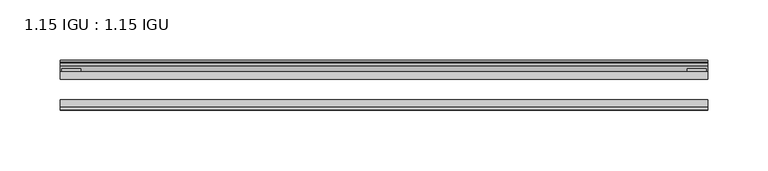
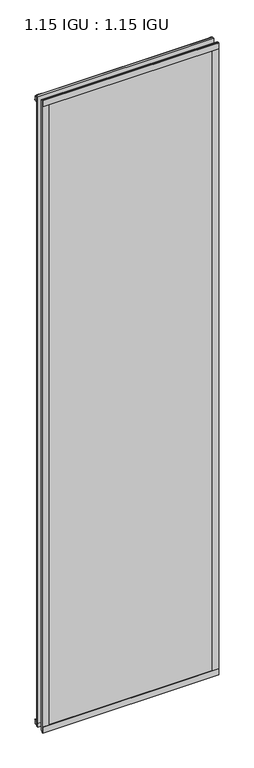
"""IFC4 building model written with IfcOpenShell, lengths in millimetres: plate geometry, 1.15 IGU : 1.15 IGU."""

from ifc_helpers import new_model, si_unit, point, frame, frame_2d, origin, place, context, project, spatial, polyline, circle_curve, trimmed, segment, composite_curve, outline, extrude, source, transform, mapped, element, save


def plate_1_15_igu_1_15_igu_ae07d3ea(model_context):
    return source(origin(), model_context, "Body", "SweptSolid", [
        extrude(outline(polyline([(268.351, 0.0), (268.351, -6.2992), (-268.351, -6.2992), (-268.351, 0.0), (268.351, 0.0)])), frame((0.0, 0.0, -15.875), z_axis=(0.0, 0.0, 1.0), x_axis=(1.0, 0.0, 0.0)), (0.0, 0.0, 1.0), 2033.5830337),
        extrude(outline(polyline([(-268.351, -23.1648), (268.351, -23.1648), (268.351, -29.464), (-268.351, -29.464), (-268.351, -23.1648)])), frame((0.0, 0.0, -15.875), z_axis=(0.0, 0.0, 1.0), x_axis=(1.0, 0.0, 0.0)), (0.0, 0.0, 1.0), 2033.5830337),
        extrude(outline(polyline([(-268.351, -31.75), (-268.351, -29.464), (268.351, -29.464), (268.351, -31.75), (-268.351, -31.75)])), frame((0.0, 0.0, -19.05), z_axis=(0.0, 0.0, 1.0), x_axis=(1.0, 0.0, 0.0)), (0.0, 0.0, 1.0), 19.05),
        extrude(outline(composite_curve([segment(trimmed(circle_curve(frame_2d((13.6593785, 32.4202472)), 31.3046461), [point((0.0, 4.2528503))], [point((9.3980339, 1.406995))], True, "CARTESIAN"), True, "CONTINUOUS"), segment(polyline([(9.3980339, 1.406995), (9.3980339, 0.0254), (6.35, 0.0254), (6.35, -5.1625788), (7.7309478, -5.3970663), (6.35, -8.0073788), (6.35, -11.8471127)]), True, "CONTINUOUS"), segment(trimmed(circle_curve(frame_2d((5.334, -11.8471127)), 1.016), [point((6.35, -11.8471127))], [point((4.6284878, -12.5782136))], False, "CARTESIAN"), True, "CONTINUOUS"), segment(trimmed(circle_curve(frame_2d((-23.3689302, -41.5910901)), 40.3187601), [point((4.6284878, -12.5782136))], [point((0.0, -8.735413))], True, "CARTESIAN"), True, "CONTINUOUS"), segment(polyline([(0.0, -8.735413), (0.0, 4.2528503)]), True, "CONTINUOUS")], self_intersect=False)), frame((-268.351, 0.0, 0.0), z_axis=(1.0, 0.0, 0.0), x_axis=(0.0, 1.0, 0.0)), (0.0, 0.0, 1.0), 536.702),
        extrude(outline(composite_curve([segment(trimmed(circle_curve(frame_2d((-23.3689302, 2041.8747237)), 40.3187601), [point((0.0, 2009.0190467))], [point((4.9746073, 2013.1998864))], True, "CARTESIAN"), True, "CONTINUOUS"), segment(trimmed(circle_curve(frame_2d((5.8674, 2012.2966582)), 1.27), [point((4.9746073, 2013.1998864))], [point((7.1374, 2012.2966582))], False, "CARTESIAN"), True, "CONTINUOUS"), segment(polyline([(7.1374, 2012.2966582), (7.1374, 2007.8958505), (7.7309478, 2005.6806999), (6.35, 2005.4462125), (6.35, 2000.2582337), (9.3980339, 2000.2582337), (9.3980339, 1998.8766387)]), True, "CONTINUOUS"), segment(trimmed(circle_curve(frame_2d((13.6593785, 1967.8633864)), 31.3046461), [point((9.3980339, 1998.8766387))], [point((0.0, 1996.0307834))], True, "CARTESIAN"), True, "CONTINUOUS"), segment(polyline([(0.0, 1996.0307834), (0.0, 2009.0190467)]), True, "CONTINUOUS")], self_intersect=False)), frame((-268.351, 0.0, 0.0), z_axis=(1.0, 0.0, 0.0), x_axis=(0.0, 1.0, 0.0)), (0.0, 0.0, 1.0), 536.702),
        extrude(outline(polyline([(-268.351, -31.75), (-268.351, -29.464), (268.351, -29.464), (268.351, -31.75), (-268.351, -31.75)])), frame((0.0, 0.0, 2000.2582337), z_axis=(0.0, 0.0, 1.0), x_axis=(1.0, 0.0, 0.0)), (0.0, 0.0, 1.0), 19.05),
        extrude(outline(polyline([(249.301, -29.464), (268.351, -29.464), (268.351, -31.75), (249.301, -31.75), (249.301, -29.464)])), frame((0.0, 0.0, -15.875), z_axis=(0.0, 0.0, 1.0), x_axis=(1.0, 0.0, 0.0)), (0.0, 0.0, 1.0), 2033.5830337),
        extrude(outline(polyline([(267.1445, 2.2860088), (267.1445, 0.0021347), (251.2695, 0.0021347), (251.2695, 2.2860088), (267.1445, 2.2860088)])), frame((0.0, 0.0, -15.875), z_axis=(0.0, 0.0, 1.0), x_axis=(1.0, 0.0, 0.0)), (0.0, 0.0, 1.0), 2033.5830337),
        extrude(outline(polyline([(-268.351, -31.75), (-268.351, -29.464), (-249.301, -29.464), (-249.301, -31.75), (-268.351, -31.75)])), frame((0.0, 0.0, -15.875), z_axis=(0.0, 0.0, 1.0), x_axis=(1.0, 0.0, 0.0)), (0.0, 0.0, 1.0), 2033.5830337),
        extrude(outline(polyline([(-267.1445, 0.0), (-267.1445, 2.286), (-251.2695, 2.286), (-251.2695, 0.0), (-267.1445, 0.0)])), frame((0.0, 0.0, -15.875), z_axis=(0.0, 0.0, 1.0), x_axis=(1.0, 0.0, 0.0)), (0.0, 0.0, 1.0), 2033.5830337),
    ])


if __name__ == "__main__":
    model = new_model("IFC4")
    model_context = context("Model", 3, world=origin())
    ifc_project = project(units=[si_unit("LENGTHUNIT", "METRE", prefix="MILLI")], contexts=[model_context])
    site = spatial("IfcSite", under=ifc_project)
    building = spatial("IfcBuilding", under=site)
    placement = place(None, origin())
    plate_1_15_igu_1_15_igu_shape = plate_1_15_igu_1_15_igu_ae07d3ea(model_context)
    element("IfcPlate", 1, ObjectType="1.15 IGU : 1.15 IGU", at=placement, inside=building, context=model_context, shape_type="MappedRepresentation", body=[
        mapped(plate_1_15_igu_1_15_igu_shape, transform((0.0, 0.0, 0.0), x_axis=(1.0, 0.0, 0.0), y_axis=(0.0, 1.0, 0.0), z_axis=(0.0, 0.0, 1.0))),
    ])
    save(model, "model.ifc")
